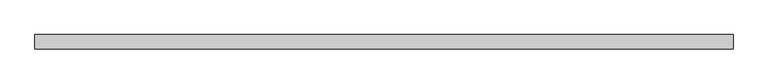
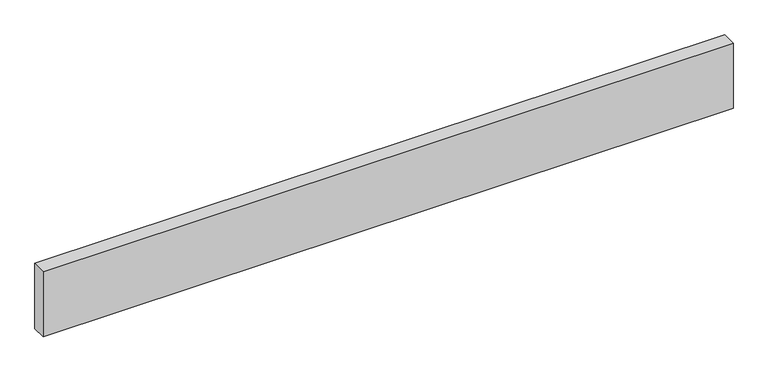
"""IFC4 building model written with IfcOpenShell, lengths in millimetres: beam geometry."""

from ifc_helpers import new_model, si_unit, frame, origin, place, context, project, spatial, polyline, outline, extrude, source, transform, mapped, element, save


def beam_530af492(model_context):
    return source(origin(), model_context, "Body", "SweptSolid", [
        extrude(outline(polyline([(-922.072696, 19.05), (922.072696, 19.05), (922.072696, -19.05), (-922.072696, -19.05), (-922.072696, 19.05)])), frame((0.0, 0.0, -92.075), z_axis=(0.0, 0.0, 1.0), x_axis=(1.0, 0.0, 0.0)), (0.0, 0.0, 1.0), 184.15),
    ])


if __name__ == "__main__":
    model = new_model("IFC4")
    model_context = context("Model", 3, world=origin())
    ifc_project = project(units=[si_unit("LENGTHUNIT", "METRE", prefix="MILLI")], contexts=[model_context])
    site = spatial("IfcSite", under=ifc_project)
    building = spatial("IfcBuilding", under=site)
    placement = place(None, origin())
    beam_shape = beam_530af492(model_context)
    element("IfcBeam", 1, at=placement, inside=building, context=model_context, shape_type="MappedRepresentation", body=[
        mapped(beam_shape, transform((0.0, 0.0, 0.0), x_axis=(1.0, 0.0, 0.0), y_axis=(0.0, 1.0, 0.0), z_axis=(0.0, 0.0, 1.0))),
    ])
    save(model, "model.ifc")
